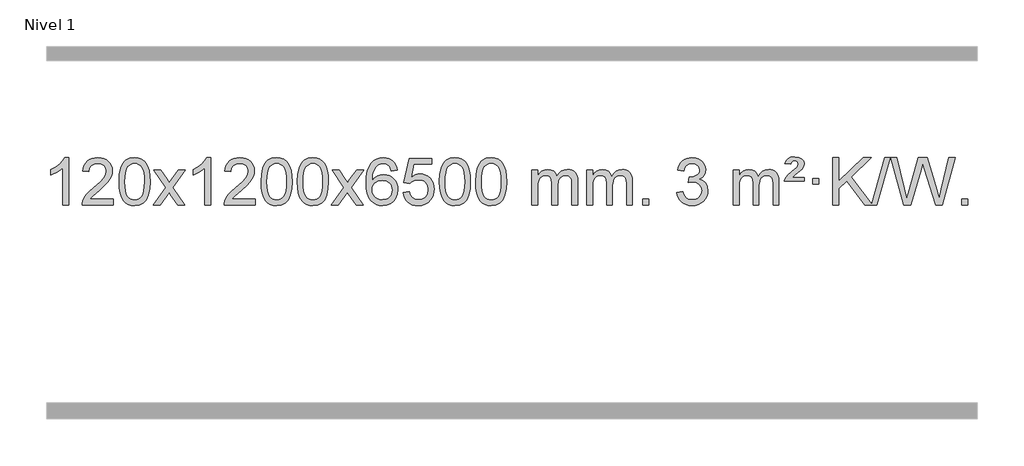
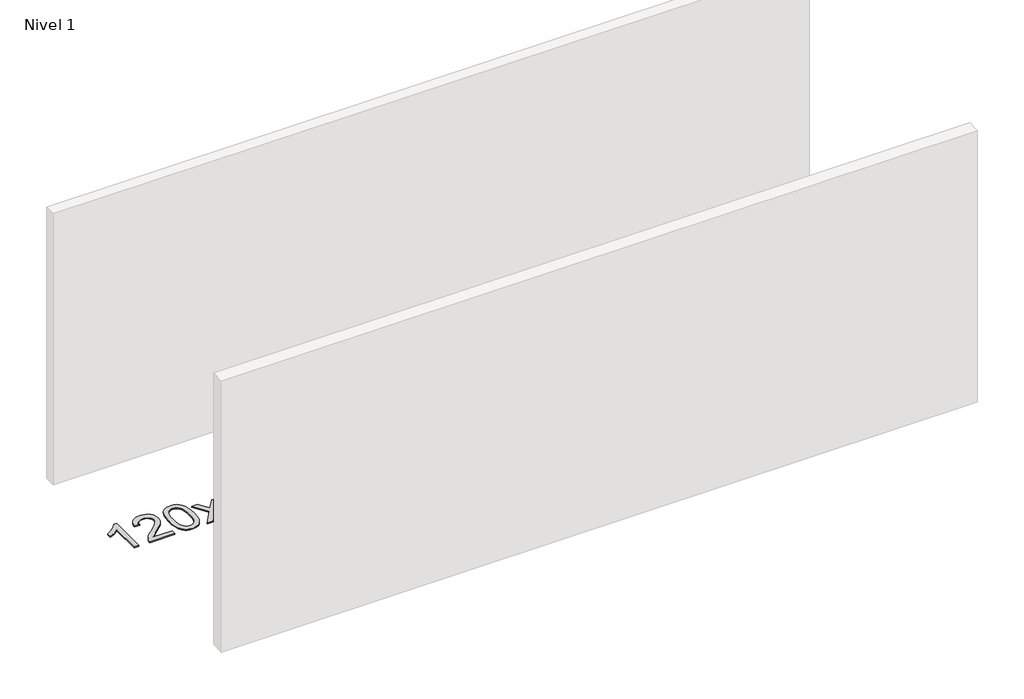
# One storey, part 11 of 14: 1 proxy.
"""IFC4 building model written with IfcOpenShell, lengths in millimetres."""

from ifc_helpers import new_model, si_unit, origin, origin_with_axes, place, context, project, spatial, polyline, outline, extrude, element, save

model = new_model("IFC4")

# Units and contexts
model_context = context("Model", 3, world=origin())
ifc_project = project(units=[si_unit("LENGTHUNIT", "METRE", prefix="MILLI")], contexts=[model_context])

# Site, building, storey
site = spatial("IfcSite", under=ifc_project)
building = spatial("IfcBuilding", under=site)
storey = spatial("IfcBuildingStorey", under=building, Name="Nivel 1", Elevation=0.0)

# Proxy
placement = place(None, origin())
element("IfcBuildingElementProxy", 1, Name="Texto de modelo 1", ObjectType="Texto de modelo 1", at=placement, inside=storey, context=model_context, shape_type="SweptSolid", body=[
    extrude(outline(polyline([(-43.1563615, -6395.579453), (-93.3845166, -6395.579453), (-93.3845166, -6082.4382987), (-114.3537903, -6099.3976587), (-140.9639213, -6116.3324932), (-193.8408268, -6141.6918254), (-193.8408268, -6094.2105225), (-154.3916142, -6072.7507395), (-120.2153768, -6047.219729), (-93.274152, -6020.0700378), (-75.5299771, -5993.7542124), (-43.1563615, -5993.7542124), (-43.1563615, -6395.579453)])), origin_with_axes(), (0.0, 0.0, 1.0), 10.0),
    extrude(outline(polyline([(333.5548015, -6345.3512979), (333.5548015, -6395.579453), (69.8569874, -6395.579453), (70.9606334, -6377.8965918), (75.25259, -6360.9494945), (87.6379505, -6333.8856424), (105.7622701, -6307.6311307), (131.9799936, -6280.1503456), (168.6455658, -6249.4076736), (222.8468464, -6201.2641831), (255.3676148, -6165.7267824), (271.627999, -6136.884834), (277.0481271, -6108.8277005), (271.9345673, -6083.6768347), (256.5938881, -6062.7688747), (233.0126522, -6048.6789943), (203.1774224, -6043.9823675), (171.8461392, -6048.5686297), (147.5046138, -6062.3274163), (131.7960526, -6084.1796068), (126.3636618, -6113.0460807), (76.1355068, -6106.7675613), (80.4550545, -6080.838012), (88.3124008, -6058.1826125), (99.7075456, -6038.8013627), (114.6404889, -6022.6942627), (132.7678742, -6010.0329907), (153.746345, -6000.989225), (177.5759012, -5995.5629655), (204.2565429, -5993.7542124), (231.1763079, -5995.7653006), (255.1346229, -6001.7985654), (276.1314878, -6011.8540066), (294.1669026, -6025.9316242), (308.6522561, -6042.9890861), (318.9989372, -6061.9840598), (325.2069459, -6082.9165453), (327.2762821, -6105.7865427), (325.0444647, -6129.8092369), (318.3490124, -6153.4149983), (306.4664239, -6177.4254299), (288.6731981, -6202.6621347), (260.3094963, -6232.7916701), (216.7154798, -6271.4805933), (158.9334811, -6319.795762), (136.2719502, -6345.3512979), (333.5548015, -6345.3512979)])), origin_with_axes(), (0.0, 0.0, 1.0), 10.0),
    extrude(outline(polyline([(383.7829566, -6197.9041943), (387.4740393, -6133.5861588), (398.5472873, -6082.2911459), (416.8923362, -6043.2343407), (428.7503991, -6028.0009605), (442.3988212, -6015.6309284), (457.8835875, -6006.0598651), (475.2506833, -5999.2233914), (515.6318637, -5993.7542124), (546.5830022, -5996.991574), (574.2967792, -6006.7036586), (597.4733449, -6022.5103217), (614.8128496, -6044.0314184), (627.9094486, -6071.0830078), (638.3572973, -6103.4811488), (645.1999024, -6144.6226186), (647.4807707, -6197.9041943), (643.8264762, -6261.8543477), (632.8635928, -6313.0267333), (614.6289086, -6352.1203266), (602.7984367, -6367.3996922), (589.1592118, -6379.8341036), (573.6560514, -6389.4695462), (556.2337732, -6396.3520052), (515.6318637, -6401.8579724), (487.9671376, -6399.4667394), (463.4416713, -6392.2930405), (442.0554646, -6380.3368757), (423.8085177, -6363.5982449), (406.2973347, -6333.3399508), (393.7893469, -6295.6381776), (386.2845542, -6250.4929255), (383.7829566, -6197.9041943)]), holes=[polyline([(434.0111117, -6197.8060924), (435.4826396, -6241.4706195), (439.8972236, -6276.8148822), (447.2548635, -6303.8388804), (457.5555594, -6322.5426142), (470.0144963, -6335.2682656), (483.8468593, -6344.3580165), (499.0526484, -6349.8118671), (515.6318637, -6351.6298173), (532.2110789, -6349.8057357), (547.416868, -6344.3334911), (561.2492311, -6335.2130833), (573.708168, -6322.4445124), (584.0088638, -6303.7101217), (591.3665037, -6276.6922549), (595.7810877, -6241.3909118), (597.2526157, -6197.8060924), (595.8301386, -6155.2973278), (591.5627075, -6120.5753989), (584.4503222, -6093.6403055), (574.4929829, -6074.4920476), (562.2425125, -6061.1440625), (548.2507339, -6051.6097875), (532.5176472, -6045.8892225), (515.0432525, -6043.9823675), (498.5498764, -6045.6623619), (483.6016046, -6050.7023452), (470.1984373, -6059.1023175), (458.3403743, -6070.8622786), (447.6963219, -6091.708925), (440.0934273, -6119.8151094), (435.5316906, -6155.1808319), (434.0111117, -6197.8060924)])]), origin_with_axes(), (0.0, 0.0, 1.0), 10.0),
    extrude(outline(polyline([(672.5948483, -6395.579453), (779.918289, -6247.2494325), (678.8733677, -6100.4890419), (739.3041167, -6100.4890419), (788.0607438, -6171.122385), (810.8203766, -6204.4770192), (830.5388515, -6177.2047007), (886.0645073, -6100.4890419), (946.4952564, -6100.4890419), (840.3490381, -6247.2494325), (942.5711818, -6395.579453), (882.1404327, -6395.579453), (820.6305631, -6306.4048574), (809.3488486, -6290.1199477), (733.0255973, -6395.579453), (672.5948483, -6395.579453)])), origin_with_axes(), (0.0, 0.0, 1.0), 10.0),
    extrude(outline(polyline([(1162.3193603, -6395.579453), (1112.0912052, -6395.579453), (1112.0912052, -6082.4382987), (1091.1219315, -6099.3976587), (1064.5118005, -6116.3324932), (1011.634895, -6141.6918254), (1011.634895, -6094.2105225), (1051.0841076, -6072.7507395), (1085.260345, -6047.219729), (1112.2015698, -6020.0700378), (1129.9457447, -5993.7542124), (1162.3193603, -5993.7542124), (1162.3193603, -6395.579453)])), origin_with_axes(), (0.0, 0.0, 1.0), 10.0),
    extrude(outline(polyline([(1539.0305233, -6345.3512979), (1539.0305233, -6395.579453), (1275.3327092, -6395.579453), (1276.4363552, -6377.8965918), (1280.7283118, -6360.9494945), (1293.1136723, -6333.8856424), (1311.2379919, -6307.6311307), (1337.4557154, -6280.1503456), (1374.1212876, -6249.4076736), (1428.3225682, -6201.2641831), (1460.8433366, -6165.7267824), (1477.1037208, -6136.884834), (1482.5238489, -6108.8277005), (1477.4102891, -6083.6768347), (1462.0696099, -6062.7688747), (1438.488374, -6048.6789943), (1408.6531442, -6043.9823675), (1377.321861, -6048.5686297), (1352.9803356, -6062.3274163), (1337.2717744, -6084.1796068), (1331.8393836, -6113.0460807), (1281.6112286, -6106.7675613), (1285.9307763, -6080.838012), (1293.7881226, -6058.1826125), (1305.1832674, -6038.8013627), (1320.1162107, -6022.6942627), (1338.243596, -6010.0329907), (1359.2220668, -6000.989225), (1383.051623, -5995.5629655), (1409.7322647, -5993.7542124), (1436.6520297, -5995.7653006), (1460.6103447, -6001.7985654), (1481.6072095, -6011.8540066), (1499.6426244, -6025.9316242), (1514.1279779, -6042.9890861), (1524.474659, -6061.9840598), (1530.6826677, -6082.9165453), (1532.7520039, -6105.7865427), (1530.5201865, -6129.8092369), (1523.8247342, -6153.4149983), (1511.9421457, -6177.4254299), (1494.1489199, -6202.6621347), (1465.7852181, -6232.7916701), (1422.1912016, -6271.4805933), (1364.4092029, -6319.795762), (1341.747672, -6345.3512979), (1539.0305233, -6345.3512979)])), origin_with_axes(), (0.0, 0.0, 1.0), 10.0),
    extrude(outline(polyline([(1589.2586784, -6197.9041943), (1592.9497611, -6133.5861588), (1604.0230091, -6082.2911459), (1622.368058, -6043.2343407), (1634.2261209, -6028.0009605), (1647.874543, -6015.6309284), (1663.3593093, -6006.0598651), (1680.7264051, -5999.2233914), (1721.1075855, -5993.7542124), (1752.058724, -5996.991574), (1779.772501, -6006.7036586), (1802.9490667, -6022.5103217), (1820.2885714, -6044.0314184), (1833.3851704, -6071.0830078), (1843.833019, -6103.4811488), (1850.6756242, -6144.6226186), (1852.9564925, -6197.9041943), (1849.302198, -6261.8543477), (1838.3393146, -6313.0267333), (1820.1046304, -6352.1203266), (1808.2741585, -6367.3996922), (1794.6349336, -6379.8341036), (1779.1317731, -6389.4695462), (1761.709495, -6396.3520052), (1721.1075855, -6401.8579724), (1693.4428594, -6399.4667394), (1668.9173931, -6392.2930405), (1647.5311864, -6380.3368757), (1629.2842395, -6363.5982449), (1611.7730565, -6333.3399508), (1599.2650687, -6295.6381776), (1591.760276, -6250.4929255), (1589.2586784, -6197.9041943)]), holes=[polyline([(1639.4868335, -6197.8060924), (1640.9583614, -6241.4706195), (1645.3729454, -6276.8148822), (1652.7305853, -6303.8388804), (1663.0312812, -6322.5426142), (1675.4902181, -6335.2682656), (1689.3225811, -6344.3580165), (1704.5283702, -6349.8118671), (1721.1075855, -6351.6298173), (1737.6868007, -6349.8057357), (1752.8925898, -6344.3334911), (1766.7249529, -6335.2130833), (1779.1838898, -6322.4445124), (1789.4845856, -6303.7101217), (1796.8422255, -6276.6922549), (1801.2568095, -6241.3909118), (1802.7283375, -6197.8060924), (1801.3058604, -6155.2973278), (1797.0384293, -6120.5753989), (1789.926044, -6093.6403055), (1779.9687047, -6074.4920476), (1767.7182342, -6061.1440625), (1753.7264557, -6051.6097875), (1737.993369, -6045.8892225), (1720.5189743, -6043.9823675), (1704.0255981, -6045.6623619), (1689.0773264, -6050.7023452), (1675.6741591, -6059.1023175), (1663.8160961, -6070.8622786), (1653.1720437, -6091.708925), (1645.5691491, -6119.8151094), (1641.0074124, -6155.1808319), (1639.4868335, -6197.8060924)])]), origin_with_axes(), (0.0, 0.0, 1.0), 10.0),
    extrude(outline(polyline([(1896.9061282, -6197.9041943), (1900.5972109, -6133.5861588), (1911.670459, -6082.2911459), (1930.0155078, -6043.2343407), (1941.8735708, -6028.0009605), (1955.5219928, -6015.6309284), (1971.0067591, -6006.0598651), (1988.373855, -5999.2233914), (2028.7550353, -5993.7542124), (2059.7061738, -5996.991574), (2087.4199508, -6006.7036586), (2110.5965165, -6022.5103217), (2127.9360212, -6044.0314184), (2141.0326202, -6071.0830078), (2151.4804689, -6103.4811488), (2158.323074, -6144.6226186), (2160.6039424, -6197.9041943), (2156.9496479, -6261.8543477), (2145.9867644, -6313.0267333), (2127.7520802, -6352.1203266), (2115.9216084, -6367.3996922), (2102.2823834, -6379.8341036), (2086.779223, -6389.4695462), (2069.3569448, -6396.3520052), (2028.7550353, -6401.8579724), (2001.0903093, -6399.4667394), (1976.5648429, -6392.2930405), (1955.1786363, -6380.3368757), (1936.9316893, -6363.5982449), (1919.4205063, -6333.3399508), (1906.9125185, -6295.6381776), (1899.4077258, -6250.4929255), (1896.9061282, -6197.9041943)]), holes=[polyline([(1947.1342833, -6197.8060924), (1948.6058113, -6241.4706195), (1953.0203952, -6276.8148822), (1960.3780351, -6303.8388804), (1970.678731, -6322.5426142), (1983.1376679, -6335.2682656), (1996.9700309, -6344.3580165), (2012.17582, -6349.8118671), (2028.7550353, -6351.6298173), (2045.3342505, -6349.8057357), (2060.5400397, -6344.3334911), (2074.3724027, -6335.2130833), (2086.8313396, -6322.4445124), (2097.1320355, -6303.7101217), (2104.4896754, -6276.6922549), (2108.9042593, -6241.3909118), (2110.3757873, -6197.8060924), (2108.9533102, -6155.2973278), (2104.6858791, -6120.5753989), (2097.5734939, -6093.6403055), (2087.6161545, -6074.4920476), (2075.3656841, -6061.1440625), (2061.3739055, -6051.6097875), (2045.6408189, -6045.8892225), (2028.1664241, -6043.9823675), (2011.673048, -6045.6623619), (1996.7247762, -6050.7023452), (1983.3216089, -6059.1023175), (1971.4635459, -6070.8622786), (1960.8194935, -6091.708925), (1953.2165989, -6119.8151094), (1948.6548622, -6155.1808319), (1947.1342833, -6197.8060924)])]), origin_with_axes(), (0.0, 0.0, 1.0), 10.0),
    extrude(outline(polyline([(2185.7180199, -6395.579453), (2293.0414606, -6247.2494325), (2191.9965393, -6100.4890419), (2252.4272884, -6100.4890419), (2301.1839155, -6171.122385), (2323.9435482, -6204.4770192), (2343.6620232, -6177.2047007), (2399.187679, -6100.4890419), (2459.618428, -6100.4890419), (2353.4722097, -6247.2494325), (2455.6943534, -6395.579453), (2395.2636044, -6395.579453), (2333.7537348, -6306.4048574), (2322.4720202, -6290.1199477), (2246.148769, -6395.579453), (2185.7180199, -6395.579453)])), origin_with_axes(), (0.0, 0.0, 1.0), 10.0),
    extrude(outline(polyline([(2744.5062451, -6100.4890419), (2694.27809, -6106.7675613), (2686.1846861, -6081.874213), (2675.2463281, -6064.8780648), (2652.4621699, -6049.2062918), (2624.9200712, -6043.9823675), (2601.5718272, -6047.0235253), (2579.5970094, -6056.1469988), (2560.724663, -6075.3627017), (2545.3104075, -6101.8134171), (2534.899347, -6139.227016), (2531.036586, -6191.3313693), (2551.1842566, -6167.8237098), (2575.3295783, -6151.2567573), (2602.1236502, -6141.434308), (2630.2175719, -6138.1601582), (2654.3506308, -6140.398107), (2676.6197543, -6147.1119534), (2697.0249423, -6158.3016975), (2715.5661948, -6173.9673391), (2730.9743191, -6193.1769106), (2741.9801221, -6214.9984443), (2748.5836039, -6239.4319401), (2750.7847645, -6266.4773982), (2746.6399607, -6302.4439945), (2734.2055492, -6335.786366), (2714.5115998, -6364.0642287), (2688.5881818, -6384.8372987), (2657.6125178, -6397.602804), (2622.7618302, -6401.8579724), (2592.8193014, -6399.0375437), (2565.7769091, -6390.5762579), (2541.6346532, -6376.4741147), (2520.3925336, -6356.7311143), (2503.0744887, -6330.5133908), (2490.7044566, -6296.9870783), (2483.2824374, -6256.1521768), (2480.808431, -6208.0086864), (2483.5552832, -6154.0342663), (2491.7958399, -6107.9693092), (2505.530101, -6069.8138149), (2524.7580667, -6039.5677835), (2545.5985817, -6019.5243462), (2569.7622974, -6005.2076052), (2597.2492138, -5996.6175606), (2628.0593309, -5993.7542124), (2651.192977, -5995.5261773), (2672.1315939, -6000.8420722), (2690.8751816, -6009.7018969), (2707.42374, -6022.1056515), (2721.3296794, -6037.6364031), (2732.1454101, -6055.8772186), (2739.870932, -6076.8280983), (2744.5062451, -6100.4890419)]), holes=[polyline([(2531.036586, -6265.6925832), (2533.9428538, -6287.9494439), (2542.6616571, -6309.2007605), (2556.1997145, -6327.472233), (2573.5637447, -6340.7895612), (2594.5207557, -6348.9197533), (2618.8377556, -6351.6298173), (2651.9839233, -6346.0134855), (2665.8990598, -6338.9930708), (2678.0422313, -6329.1644901), (2687.8922717, -6316.9262824), (2694.9280149, -6302.6769865), (2700.5566094, -6268.1451299), (2695.0015913, -6234.9989621), (2688.0578186, -6221.3781312), (2678.3365369, -6209.725469), (2666.1565772, -6200.3904634), (2651.8367705, -6193.7226022), (2616.7776164, -6188.3883133), (2583.6804995, -6193.7226022), (2556.0035108, -6209.725469), (2545.0804812, -6221.2248471), (2537.2783172, -6234.3858254), (2532.5970188, -6249.2084042), (2531.036586, -6265.6925832)])]), origin_with_axes(), (0.0, 0.0, 1.0), 10.0),
    extrude(outline(polyline([(2794.7344002, -6288.8446235), (2844.9625553, -6282.5661041), (2854.1841306, -6312.7201649), (2870.2728365, -6334.3148381), (2893.1550966, -6347.3010725), (2922.7573345, -6351.6298173), (2941.8871983, -6350.1245668), (2958.7607191, -6345.6088153), (2973.377897, -6338.0825628), (2985.7387321, -6327.5458094), (2995.5673127, -6314.519721), (3002.5877275, -6299.5254641), (3008.2040592, -6263.6324441), (3002.9433467, -6229.8363514), (2996.3674561, -6215.9181493), (2987.1612091, -6203.9865099), (2975.2939491, -6194.4154467), (2960.7350191, -6187.5789729), (2923.5421494, -6182.1097939), (2899.1760986, -6184.2925604), (2879.4453609, -6190.8408599), (2863.6877488, -6200.8717757), (2851.2410746, -6213.5023908), (2801.0129196, -6207.2238715), (2844.9625553, -6000.0327318), (3039.5966562, -6000.0327318), (3039.5966562, -6050.2608869), (2885.5767275, -6050.2608869), (2864.092419, -6160.919791), (2881.8181998, -6148.2155994), (2899.9731763, -6139.1411769), (2918.5573484, -6133.6965234), (2937.5707162, -6131.8816388), (2962.0318032, -6134.1318504), (2984.500196, -6140.882485), (3004.9758947, -6152.1335427), (3023.4588993, -6167.8850234), (3038.7597246, -6187.1743027), (3049.6888856, -6209.038756), (3056.2463821, -6233.4783832), (3058.4322143, -6260.4931844), (3056.4640457, -6286.5147042), (3050.5595396, -6310.7213394), (3040.7186963, -6333.1130902), (3026.9415155, -6353.6899565), (3006.0703437, -6374.7634634), (2981.7165556, -6389.8159684), (2953.8801513, -6398.8474714), (2922.5611308, -6401.8579724), (2896.6407785, -6399.9235262), (2873.2281552, -6394.1201877), (2852.3232608, -6384.447957), (2833.9260954, -6370.9068338), (2818.6191387, -6354.1712688), (2806.9848706, -6334.915712), (2799.0232911, -6313.1401636), (2794.7344002, -6288.8446235)])), origin_with_axes(), (0.0, 0.0, 1.0), 10.0),
    extrude(outline(polyline([(3102.38185, -6197.9041943), (3106.0729327, -6133.5861588), (3117.1461808, -6082.2911459), (3135.4912296, -6043.2343407), (3147.3492926, -6028.0009605), (3160.9977146, -6015.6309284), (3176.4824809, -6006.0598651), (3193.8495767, -5999.2233914), (3234.2307571, -5993.7542124), (3265.1818956, -5996.991574), (3292.8956726, -6006.7036586), (3316.0722383, -6022.5103217), (3333.411743, -6044.0314184), (3346.508342, -6071.0830078), (3356.9561907, -6103.4811488), (3363.7987958, -6144.6226186), (3366.0796642, -6197.9041943), (3362.4253697, -6261.8543477), (3351.4624862, -6313.0267333), (3333.227802, -6352.1203266), (3321.3973302, -6367.3996922), (3307.7581052, -6379.8341036), (3292.2549448, -6389.4695462), (3274.8326666, -6396.3520052), (3234.2307571, -6401.8579724), (3206.566031, -6399.4667394), (3182.0405647, -6392.2930405), (3160.6543581, -6380.3368757), (3142.4074111, -6363.5982449), (3124.8962281, -6333.3399508), (3112.3882403, -6295.6381776), (3104.8834476, -6250.4929255), (3102.38185, -6197.9041943)]), holes=[polyline([(3152.6100051, -6197.8060924), (3154.0815331, -6241.4706195), (3158.496117, -6276.8148822), (3165.8537569, -6303.8388804), (3176.1544528, -6322.5426142), (3188.6133897, -6335.2682656), (3202.4457527, -6344.3580165), (3217.6515418, -6349.8118671), (3234.2307571, -6351.6298173), (3250.8099723, -6349.8057357), (3266.0157615, -6344.3334911), (3279.8481245, -6335.2130833), (3292.3070614, -6322.4445124), (3302.6077573, -6303.7101217), (3309.9653972, -6276.6922549), (3314.3799811, -6241.3909118), (3315.8515091, -6197.8060924), (3314.429032, -6155.2973278), (3310.1616009, -6120.5753989), (3303.0492157, -6093.6403055), (3293.0918763, -6074.4920476), (3280.8414059, -6061.1440625), (3266.8496273, -6051.6097875), (3251.1165407, -6045.8892225), (3233.6421459, -6043.9823675), (3217.1487698, -6045.6623619), (3202.200498, -6050.7023452), (3188.7973307, -6059.1023175), (3176.9392677, -6070.8622786), (3166.2952153, -6091.708925), (3158.6923207, -6119.8151094), (3154.130584, -6155.1808319), (3152.6100051, -6197.8060924)])]), origin_with_axes(), (0.0, 0.0, 1.0), 10.0),
    extrude(outline(polyline([(3410.0292998, -6197.9041943), (3413.7203825, -6133.5861588), (3424.7936306, -6082.2911459), (3443.1386794, -6043.2343407), (3454.9967424, -6028.0009605), (3468.6451644, -6015.6309284), (3484.1299307, -6006.0598651), (3501.4970266, -5999.2233914), (3541.8782069, -5993.7542124), (3572.8293454, -5996.991574), (3600.5431224, -6006.7036586), (3623.7196881, -6022.5103217), (3641.0591928, -6044.0314184), (3654.1557918, -6071.0830078), (3664.6036405, -6103.4811488), (3671.4462456, -6144.6226186), (3673.727114, -6197.9041943), (3670.0728195, -6261.8543477), (3659.109936, -6313.0267333), (3640.8752518, -6352.1203266), (3629.04478, -6367.3996922), (3615.405555, -6379.8341036), (3599.9023946, -6389.4695462), (3582.4801165, -6396.3520052), (3541.8782069, -6401.8579724), (3514.2134809, -6399.4667394), (3489.6880145, -6392.2930405), (3468.3018079, -6380.3368757), (3450.0548609, -6363.5982449), (3432.543678, -6333.3399508), (3420.0356901, -6295.6381776), (3412.5308974, -6250.4929255), (3410.0292998, -6197.9041943)]), holes=[polyline([(3460.2574549, -6197.8060924), (3461.7289829, -6241.4706195), (3466.1435668, -6276.8148822), (3473.5012067, -6303.8388804), (3483.8019026, -6322.5426142), (3496.2608395, -6335.2682656), (3510.0932025, -6344.3580165), (3525.2989917, -6349.8118671), (3541.8782069, -6351.6298173), (3558.4574222, -6349.8057357), (3573.6632113, -6344.3334911), (3587.4955743, -6335.2130833), (3599.9545112, -6322.4445124), (3610.2552071, -6303.7101217), (3617.612847, -6276.6922549), (3622.0274309, -6241.3909118), (3623.4989589, -6197.8060924), (3622.0764819, -6155.2973278), (3617.8090507, -6120.5753989), (3610.6966655, -6093.6403055), (3600.7393261, -6074.4920476), (3588.4888557, -6061.1440625), (3574.4970772, -6051.6097875), (3558.7639905, -6045.8892225), (3541.2895957, -6043.9823675), (3524.7962196, -6045.6623619), (3509.8479479, -6050.7023452), (3496.4447805, -6059.1023175), (3484.5867175, -6070.8622786), (3473.9426651, -6091.708925), (3466.3397706, -6119.8151094), (3461.7780338, -6155.1808319), (3460.2574549, -6197.8060924)])]), origin_with_axes(), (0.0, 0.0, 1.0), 10.0),
    extrude(outline(polyline([(3887.1967731, -6395.579453), (3887.1967731, -6100.4890419), (3937.4249281, -6100.4890419), (3937.4249281, -6149.0494653), (3952.5326154, -6126.7435537), (3971.9567847, -6109.2691589), (3995.0352486, -6097.9751816), (4021.1058193, -6094.2105225), (4049.0403255, -6098.048758), (4071.4320762, -6109.5634645), (4088.1584443, -6127.9943524), (4099.0968023, -6152.5811324), (4117.4050629, -6127.0439906), (4138.2884975, -6108.803175), (4161.7471061, -6097.8586857), (4187.7808886, -6094.2105225), (4207.8887053, -6095.7280358), (4225.537844, -6100.2805755), (4240.7283047, -6107.8681416), (4253.4600875, -6118.4907342), (4263.5247257, -6132.2709806), (4270.713753, -6149.3315082), (4275.0271694, -6169.6723168), (4276.4649749, -6193.2934066), (4276.4649749, -6395.579453), (4226.2368198, -6395.579453), (4226.2368198, -6214.875817), (4225.0718602, -6189.8230531), (4221.5769812, -6172.9372695), (4215.0286817, -6161.3735121), (4204.7034604, -6152.2868268), (4191.4229203, -6146.4007149), (4176.0086647, -6144.4386776), (4148.7976598, -6149.4663982), (4126.6143755, -6164.54956), (4118.0090025, -6176.1194488), (4111.8623075, -6190.7182326), (4106.9449515, -6229.0024856), (4106.9449515, -6395.579453), (4056.7167964, -6395.579453), (4056.7167964, -6209.2840106), (4053.8105287, -6180.8835206), (4045.0917254, -6160.6254854), (4029.7510462, -6148.4853796), (4006.9791507, -6144.4386776), (3987.6285577, -6147.1364789), (3969.7985437, -6155.2298828), (3955.0832639, -6168.5226856), (3945.0768736, -6186.8186835), (3939.3379145, -6212.2025411), (3937.4249281, -6246.7589232), (3937.4249281, -6395.579453), (3887.1967731, -6395.579453)])), origin_with_axes(), (0.0, 0.0, 1.0), 10.0),
    extrude(outline(polyline([(4351.8072075, -6395.579453), (4351.8072075, -6100.4890419), (4402.0353626, -6100.4890419), (4402.0353626, -6149.0494653), (4417.1430498, -6126.7435537), (4436.5672192, -6109.2691589), (4459.645683, -6097.9751816), (4485.7162537, -6094.2105225), (4513.6507599, -6098.048758), (4536.0425107, -6109.5634645), (4552.7688787, -6127.9943524), (4563.7072367, -6152.5811324), (4582.0154973, -6127.0439906), (4602.8989319, -6108.803175), (4626.3575405, -6097.8586857), (4652.391323, -6094.2105225), (4672.4991397, -6095.7280358), (4690.1482785, -6100.2805755), (4705.3387392, -6107.8681416), (4718.0705219, -6118.4907342), (4728.1351602, -6132.2709806), (4735.3241875, -6149.3315082), (4739.6376039, -6169.6723168), (4741.0754093, -6193.2934066), (4741.0754093, -6395.579453), (4690.8472543, -6395.579453), (4690.8472543, -6214.875817), (4689.6822946, -6189.8230531), (4686.1874157, -6172.9372695), (4679.6391161, -6161.3735121), (4669.3138948, -6152.2868268), (4656.0333548, -6146.4007149), (4640.6190992, -6144.4386776), (4613.4080943, -6149.4663982), (4591.22481, -6164.54956), (4582.619437, -6176.1194488), (4576.472742, -6190.7182326), (4571.555386, -6229.0024856), (4571.555386, -6395.579453), (4521.3272309, -6395.579453), (4521.3272309, -6209.2840106), (4518.4209631, -6180.8835206), (4509.7021598, -6160.6254854), (4494.3614806, -6148.4853796), (4471.5895851, -6144.4386776), (4452.2389922, -6147.1364789), (4434.4089782, -6155.2298828), (4419.6936983, -6168.5226856), (4409.6873081, -6186.8186835), (4403.948349, -6212.2025411), (4402.0353626, -6246.7589232), (4402.0353626, -6395.579453), (4351.8072075, -6395.579453)])), origin_with_axes(), (0.0, 0.0, 1.0), 10.0),
    extrude(outline(polyline([(4828.9746807, -6395.579453), (4828.9746807, -6345.3512979), (4879.2028358, -6345.3512979), (4879.2028358, -6395.579453), (4828.9746807, -6395.579453)])), origin_with_axes(), (0.0, 0.0, 1.0), 10.0),
    extrude(outline(polyline([(5117.7865724, -6288.8446235), (5168.0147275, -6282.5661041), (5179.2596538, -6314.1303793), (5195.7285044, -6335.4430095), (5218.2306198, -6347.5831154), (5247.5753403, -6351.6298173), (5282.009095, -6346.0625364), (5296.2829165, -6339.1034354), (5308.5947006, -6329.3606939), (5325.5908487, -6304.4428201), (5331.2562315, -6274.2274455), (5325.6398997, -6245.5449126), (5308.7909043, -6222.2825078), (5283.2844193, -6206.8682522), (5251.6956186, -6201.730167), (5216.477049, -6207.2238715), (5222.0688553, -6156.9957164), (5230.1132083, -6157.5843276), (5260.2059555, -6153.979084), (5287.110392, -6143.1633534), (5298.1836401, -6134.9841103), (5306.093103, -6124.8673555), (5310.8387807, -6112.8130888), (5312.4206733, -6098.8213102), (5307.8344111, -6077.1285352), (5294.0756245, -6059.5315131), (5273.0818253, -6047.8696539), (5246.7905254, -6043.9823675), (5220.4501745, -6047.9064421), (5198.9168151, -6059.6786659), (5183.1959911, -6079.299039), (5174.2932469, -6106.7675613), (5124.0650918, -6100.4890419), (5130.0186487, -6076.5092672), (5138.853948, -6055.3867093), (5150.5709895, -6037.1213683), (5165.1697734, -6021.713244), (5182.190447, -6009.4811677), (5201.173158, -6000.7439703), (5222.1179062, -5995.5016519), (5245.0246918, -5993.7542124), (5276.6012297, -5997.2000404), (5305.6025937, -6007.5375245), (5330.0544836, -6023.8469596), (5347.9825995, -6045.2086408), (5358.9822712, -6069.8199463), (5362.6488284, -6095.8782543), (5359.1662122, -6120.1584659), (5348.7183635, -6142.1823347), (5331.4524352, -6160.9443165), (5307.51558, -6175.4388671), (5338.9572279, -6188.1430586), (5362.2564209, -6209.77452), (5376.6773951, -6239.1560286), (5381.4843865, -6275.1103623), (5379.0808908, -6300.5923218), (5371.8704037, -6324.0631931), (5359.8529252, -6345.5229762), (5343.0284553, -6364.971671), (5322.5312968, -6381.1094278), (5299.4957525, -6392.636397), (5273.9218225, -6399.5525785), (5245.8095067, -6401.8579724), (5220.4011236, -6399.8898037), (5197.2490833, -6393.9852977), (5176.353386, -6384.1444543), (5157.7140316, -6370.3672736), (5142.0851782, -6353.4630959), (5130.2209838, -6334.2412617), (5122.1214486, -6312.7017708), (5117.7865724, -6288.8446235)])), origin_with_axes(), (0.0, 0.0, 1.0), 10.0),
    extrude(outline(polyline([(5594.9540456, -6395.579453), (5594.9540456, -6100.4890419), (5645.1822007, -6100.4890419), (5645.1822007, -6149.0494653), (5660.2898879, -6126.7435537), (5679.7140573, -6109.2691589), (5702.7925211, -6097.9751816), (5728.8630918, -6094.2105225), (5756.797598, -6098.048758), (5779.1893488, -6109.5634645), (5795.9157168, -6127.9943524), (5806.8540748, -6152.5811324), (5825.1623355, -6127.0439906), (5846.04577, -6108.803175), (5869.5043786, -6097.8586857), (5895.5381611, -6094.2105225), (5915.6459778, -6095.7280358), (5933.2951166, -6100.2805755), (5948.4855773, -6107.8681416), (5961.21736, -6118.4907342), (5971.2819983, -6132.2709806), (5978.4710256, -6149.3315082), (5982.784442, -6169.6723168), (5984.2222474, -6193.2934066), (5984.2222474, -6395.579453), (5933.9940924, -6395.579453), (5933.9940924, -6214.875817), (5932.8291327, -6189.8230531), (5929.3342538, -6172.9372695), (5922.7859542, -6161.3735121), (5912.4607329, -6152.2868268), (5899.1801929, -6146.4007149), (5883.7659373, -6144.4386776), (5856.5549324, -6149.4663982), (5834.3716481, -6164.54956), (5825.7662751, -6176.1194488), (5819.6195801, -6190.7182326), (5814.7022241, -6229.0024856), (5814.7022241, -6395.579453), (5764.474069, -6395.579453), (5764.474069, -6209.2840106), (5761.5678012, -6180.8835206), (5752.8489979, -6160.6254854), (5737.5083187, -6148.4853796), (5714.7364232, -6144.4386776), (5695.3858303, -6147.1364789), (5677.5558163, -6155.2298828), (5662.8405364, -6168.5226856), (5652.8341462, -6186.8186835), (5647.0951871, -6212.2025411), (5645.1822007, -6246.7589232), (5645.1822007, -6395.579453), (5594.9540456, -6395.579453)])), origin_with_axes(), (0.0, 0.0, 1.0), 10.0),
    extrude(outline(polyline([(6028.1718831, -6194.6668327), (6031.9978559, -6178.8479069), (6040.3365144, -6162.9799302), (6061.8453484, -6137.8413272), (6093.8020311, -6110.1030247), (6137.9478705, -6072.726214), (6145.0847812, -6061.1992448), (6147.4637514, -6049.3779701), (6145.5752905, -6037.2869152), (6139.9099078, -6027.5012541), (6130.5411796, -6021.026531), (6117.5426825, -6018.8682899), (6105.108271, -6020.4869707), (6096.2545777, -6025.343013), (6089.8289055, -6034.8098431), (6084.6785576, -6050.2608869), (6034.4504025, -6043.9823675), (6045.2906586, -6018.7701881), (6061.9189248, -6001.2099542), (6085.6841017, -5990.9092583), (6117.9350899, -5987.475693), (6153.7177453, -5991.6082341), (6178.4639409, -6004.0058573), (6192.8849151, -6022.3386434), (6197.6919065, -6044.2766731), (6193.5961536, -6067.1834586), (6181.308895, -6088.8149199), (6160.7810797, -6108.6314968), (6124.3117112, -6136.6886303), (6098.7071243, -6163.2742358), (6197.6919065, -6163.2742358), (6197.6919065, -6194.6668327), (6028.1718831, -6194.6668327)])), origin_with_axes(), (0.0, 0.0, 1.0), 10.0),
    extrude(outline(polyline([(6273.0341391, -6219.7809102), (6273.0341391, -6169.5527552), (6323.2622942, -6169.5527552), (6323.2622942, -6219.7809102), (6273.0341391, -6219.7809102)])), origin_with_axes(), (0.0, 0.0, 1.0), 10.0),
    extrude(outline(polyline([(6713.9039221, -6395.579453), (6560.4726047, -6192.9009991), (6492.7823176, -6257.4520265), (6492.7823176, -6395.579453), (6442.5541625, -6395.579453), (6442.5541625, -5993.7542124), (6492.7823176, -5993.7542124), (6492.7823176, -6190.4484525), (6698.7962349, -5993.7542124), (6769.0371705, -5993.7542124), (6596.0835818, -6158.9577537), (6770.7371917, -6389.5349332), (6882.0505194, -5993.7542124), (6927.3735812, -5993.7542124), (6814.3602323, -6395.579453), (6775.3156899, -6395.579453), (6769.0371705, -6395.579453), (6713.9039221, -6395.579453)])), origin_with_axes(), (0.0, 0.0, 1.0), 10.0),
    extrude(outline(polyline([(7041.8584581, -6395.579453), (6932.2786745, -5993.7542124), (6984.0764594, -5993.7542124), (7047.6464682, -6257.844434), (7067.2668412, -6339.3670841), (7088.2606404, -6267.2622131), (7167.9193551, -5993.7542124), (7242.5748747, -5993.7542124), (7300.4549752, -6192.0180823), (7325.2502217, -6265.5944814), (7343.5216941, -6339.3670841), (7362.553456, -6260.1988788), (7426.712076, -5993.7542124), (7478.5098609, -5993.7542124), (7368.8319754, -6395.579453), (7315.170255, -6395.579453), (7218.8342232, -6085.5775584), (7205.3942677, -6042.3146358), (7190.2865804, -6094.4067263), (7102.4854109, -6395.579453), (7041.8584581, -6395.579453)])), origin_with_axes(), (0.0, 0.0, 1.0), 10.0),
    extrude(outline(polyline([(7535.0165354, -6395.579453), (7535.0165354, -6345.3512979), (7585.2446904, -6345.3512979), (7585.2446904, -6395.579453), (7535.0165354, -6395.579453)])), origin_with_axes(), (0.0, 0.0, 1.0), 10.0),
])

save(model, "model.ifc")
